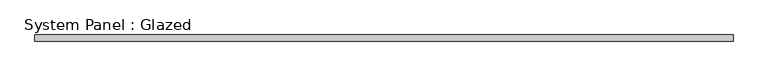
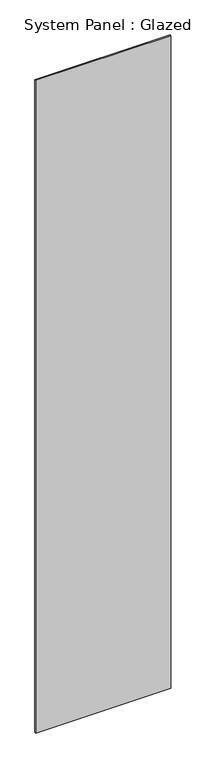
"""IFC4 building model written with IfcOpenShell, lengths in millimetres: plate geometry, System Panel : Glazed."""

from ifc_helpers import new_model, si_unit, origin, origin_with_axes, place, context, project, spatial, polyline, outline, extrude, source, transform, mapped, element, save


def system_panel_glazed_8bef89a8(model_context):
    return source(origin(), model_context, "Body", "SweptSolid", [
        extrude(outline(polyline([(1375.0000066, -77.5), (-1375.0000066, -77.5), (-1375.0000066, -52.5), (1375.0000066, -52.5), (1375.0000066, -77.5)])), origin_with_axes(), (0.0, 0.0, 1.0), 14020.0),
    ])


if __name__ == "__main__":
    model = new_model("IFC4")
    model_context = context("Model", 3, world=origin())
    ifc_project = project(units=[si_unit("LENGTHUNIT", "METRE", prefix="MILLI")], contexts=[model_context])
    site = spatial("IfcSite", under=ifc_project)
    building = spatial("IfcBuilding", under=site)
    placement = place(None, origin())
    system_panel_glazed_shape = system_panel_glazed_8bef89a8(model_context)
    element("IfcPlate", 1, ObjectType="System Panel : Glazed", at=placement, inside=building, context=model_context, shape_type="MappedRepresentation", body=[
        mapped(system_panel_glazed_shape, transform((0.0, 0.0, 0.0), x_axis=(1.0, 0.0, 0.0), y_axis=(0.0, 1.0, 0.0), z_axis=(0.0, 0.0, 1.0))),
    ])
    save(model, "model.ifc")
